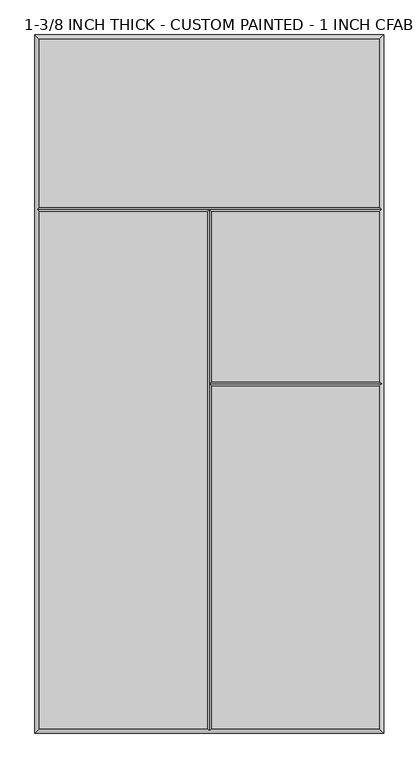
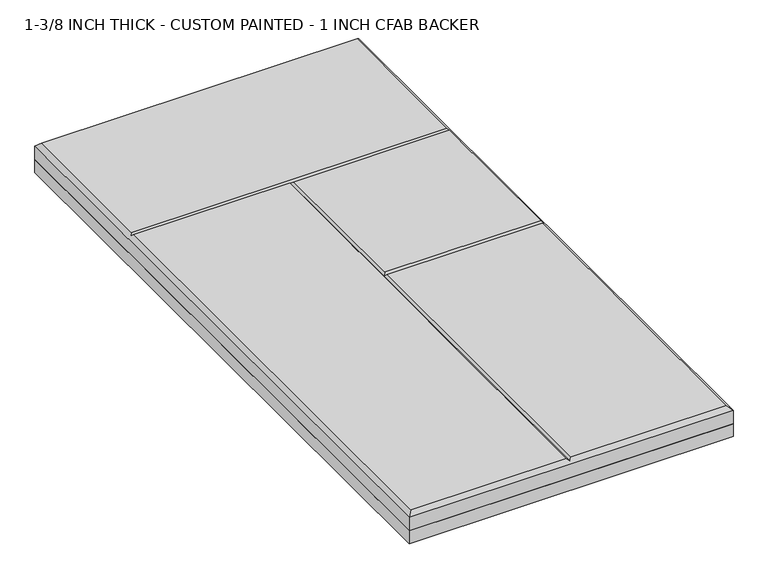
"""IFC4 building model written with IfcOpenShell, lengths in millimetres: proxy geometry, 1-3/8 INCH THICK - CUSTOM PAINTED - 1 INCH CFAB BACKER."""

import ifcopenshell
import ifcopenshell.guid

model = None  # the IFC model being written
_history = None  # IfcOwnerHistory: only IFC2X3 demands one
_inside = {}  # id of a spatial element -> (the spatial element, [elements in it])
_under = {}  # id of a project, library or spatial element -> (it, [spatial elements below it])
_declared = {}  # id of a project -> (the project, [libraries it declares])
_typed = {}  # id of a type object -> (the type object, [elements of that type])
_made_of = {}  # id of a material, layer set ... -> (it, [elements and type objects made of it])


def new_model(schema):
    """Start an empty IFC model of exactly this schema.

    Asked for "IFC4X3", IfcOpenShell would pick the latest addendum, in which some entities
    have other attributes; the version numbers below select the first issue.
    IFC2X3 requires an IfcOwnerHistory on every rooted entity: one is made here for all.
    """
    global model, _history
    if schema == "IFC4X3":
        model = ifcopenshell.file(schema_version=(4, 3, 0, 0))
    else:
        model = ifcopenshell.file(schema=schema)
    _inside.clear()
    _under.clear()
    _declared.clear()
    _typed.clear()
    _made_of.clear()
    _history = None
    if model.schema == "IFC2X3":
        org = make("IfcOrganization", Name="unknown")
        user = make(
            "IfcPersonAndOrganization",
            ThePerson=make("IfcPerson", FamilyName="unknown"),
            TheOrganization=org,
        )
        app = make(
            "IfcApplication",
            ApplicationDeveloper=org,
            Version="unknown",
            ApplicationFullName="unknown",
            ApplicationIdentifier="unknown",
        )
        _history = make(
            "IfcOwnerHistory",
            OwningUser=user,
            OwningApplication=app,
            ChangeAction="ADDED",
            CreationDate=0,
        )
    return model


def make(cls, **values):
    """One entity of the class cls with the attributes given. An attribute that is None is left unset."""
    return model.create_entity(
        cls, **{name: value for name, value in values.items() if value is not None}
    )


def rooted(cls, **values):
    """An entity with a GlobalId (a new one), such as an element, a storey or a relation."""
    return make(cls, GlobalId=ifcopenshell.guid.new(), OwnerHistory=_history, **values)


def si_unit(unit_type, name, prefix=None):
    """IfcSIUnit, for example si_unit("LENGTHUNIT", "METRE", prefix="MILLI")."""
    return make("IfcSIUnit", UnitType=unit_type, Prefix=prefix, Name=name)


def assignment(units):
    """IfcUnitAssignment: the units of a project."""
    return None if units is None else make("IfcUnitAssignment", Units=units)


def point(xyz):
    """IfcCartesianPoint."""
    return None if xyz is None else make("IfcCartesianPoint", Coordinates=xyz)


def direction(xyz):
    """IfcDirection."""
    return None if xyz is None else make("IfcDirection", DirectionRatios=xyz)


def frame(location, z_axis=None, x_axis=None):
    """IfcAxis2Placement3D, a coordinate frame: its origin and axes. An axis left out is left unset."""
    return make(
        "IfcAxis2Placement3D",
        Location=point(location),
        Axis=direction(z_axis),
        RefDirection=direction(x_axis),
    )


def origin():
    """The frame at (0, 0, 0) with its axes left unset."""
    return frame((0.0, 0.0, 0.0))


def place(relative_to, where):
    """IfcLocalPlacement: puts the frame where relative to a parent placement (None: the world)."""
    return make(
        "IfcLocalPlacement", PlacementRelTo=relative_to, RelativePlacement=where
    )


def context(
    kind, dimensions, precision=None, world=None, true_north=None, identifier=None
):
    """IfcGeometricRepresentationContext, for example the 3D "Model" context."""
    return make(
        "IfcGeometricRepresentationContext",
        ContextIdentifier=identifier,
        ContextType=kind,
        CoordinateSpaceDimension=dimensions,
        Precision=precision,
        WorldCoordinateSystem=world,
        TrueNorth=true_north,
    )


def project(units=None, contexts=None):
    """IfcProject with its units and contexts."""
    return rooted(
        "IfcProject",
        Name="project",
        RepresentationContexts=contexts,
        UnitsInContext=assignment(units),
    )


def spatial(cls, under=None, at=None, **own):
    """A site, building, storey or space (cls), placed at a placement, below another one or the project."""
    s = rooted(cls, ObjectPlacement=at, **own)
    if under is not None:
        _under.setdefault(under.id(), (under, []))[1].append(s)
    return s


def polyline(points):
    """IfcPolyline through the points."""
    return make("IfcPolyline", Points=[point(p) for p in points])


def outline(outer, holes=None, kind="AREA"):
    """IfcArbitraryClosedProfileDef: a profile drawn as a closed curve; with holes, ...WithVoids."""
    if holes is None:
        return make("IfcArbitraryClosedProfileDef", ProfileType=kind, OuterCurve=outer)
    return make(
        "IfcArbitraryProfileDefWithVoids",
        ProfileType=kind,
        OuterCurve=outer,
        InnerCurves=holes,
    )


def extrude(swept, where, along, depth):
    """IfcExtrudedAreaSolid: the profile swept, set in the frame where, extruded along a direction by depth."""
    return make(
        "IfcExtrudedAreaSolid",
        SweptArea=swept,
        Position=where,
        ExtrudedDirection=direction(along),
        Depth=depth,
    )


def faces_of(points, faces, orient=None, outer=None):
    """IfcFace entities. A face is a list of loops; a loop is a list of indices into points, from 0.

    orient and outer hold one flag for each loop. By default every Orientation is true, the
    first loop of a face is its IfcFaceOuterBound and the others are IfcFaceBound.
    """
    made = []
    for i, loops in enumerate(faces):
        bounds = []
        for j, loop in enumerate(loops):
            is_outer = j == 0 if outer is None else outer[i][j]
            bounds.append(
                make(
                    "IfcFaceOuterBound" if is_outer else "IfcFaceBound",
                    Bound=make("IfcPolyLoop", Polygon=[points[k] for k in loop]),
                    Orientation=True if orient is None else orient[i][j],
                )
            )
        made.append(make("IfcFace", Bounds=bounds))
    return made


def faceted_brep(points, faces, orient=None, outer=None, voids=None):
    """IfcFacetedBrep: a solid bounded by flat faces; with voids (closed shells), ...WithVoids."""
    shared = [point(p) for p in points]
    hull = make("IfcClosedShell", CfsFaces=faces_of(shared, faces, orient, outer))
    if voids is None:
        return make("IfcFacetedBrep", Outer=hull)
    return make(
        "IfcFacetedBrepWithVoids",
        Outer=hull,
        Voids=[
            make(cls, CfsFaces=faces_of(shared, fs, o, b)) for cls, fs, o, b in voids
        ],
    )


def shape(context_of_items, identifier, shape_type, items):
    """IfcShapeRepresentation: the items that make up one representation, for example the "Body"."""
    return make(
        "IfcShapeRepresentation",
        ContextOfItems=context_of_items,
        RepresentationIdentifier=identifier,
        RepresentationType=shape_type,
        Items=items,
    )


def source(mapping_origin, context_of_items, identifier, shape_type, items):
    """IfcRepresentationMap: a shape defined once, which mapped items show again and again."""
    return make(
        "IfcRepresentationMap",
        MappingOrigin=mapping_origin,
        MappedRepresentation=shape(context_of_items, identifier, shape_type, items),
    )


def transform(
    local_origin,
    x_axis=None,
    y_axis=None,
    z_axis=None,
    scale=None,
    scale2=None,
    scale3=None,
    uniform=True,
):
    """IfcCartesianTransformationOperator3D, or its non-uniform kind. x_axis, y_axis, z_axis: its Axis1, 2, 3."""
    if uniform:
        return make(
            "IfcCartesianTransformationOperator3D",
            Axis1=direction(x_axis),
            Axis2=direction(y_axis),
            LocalOrigin=point(local_origin),
            Scale=scale,
            Axis3=direction(z_axis),
        )
    return make(
        "IfcCartesianTransformationOperator3DnonUniform",
        Axis1=direction(x_axis),
        Axis2=direction(y_axis),
        LocalOrigin=point(local_origin),
        Scale=scale,
        Axis3=direction(z_axis),
        Scale2=scale2,
        Scale3=scale3,
    )


def mapped(mapping_source, mapping_target):
    """IfcMappedItem: shows the shape of a source again, moved by a transform."""
    return make(
        "IfcMappedItem", MappingSource=mapping_source, MappingTarget=mapping_target
    )


def made_of(thing, what):
    """Note that an element or type object is made of a material, layer set ...; save() writes the relation."""
    if what is not None:
        _made_of.setdefault(what.id(), (what, []))[1].append(thing)
    return thing


def element(
    cls,
    number,
    at=None,
    inside=None,
    cuts=None,
    type_object=None,
    material=None,
    context=None,
    identifier="Body",
    shape_type=None,
    held_by="IfcProductDefinitionShape",
    body=None,
    shapes=None,
    **own,
):
    """One element of the class cls, such as IfcWall. Its Tag is "e" and its number.

    at: its placement. inside: the storey or other place that contains it. cuts: it is an
    opening in that element (IfcRelVoidsElement). A single representation is given by context,
    identifier, shape_type and body (its items); several are given by shapes. held_by: the class
    of the entity that holds the representations. save() writes the other relations.
    """
    e = rooted(cls, Tag="e%d" % number, ObjectPlacement=at, **own)
    if body is not None:
        shapes = [shape(context, identifier, shape_type, body)]
    if shapes is not None:
        e.Representation = make(held_by, Representations=shapes)
    if inside is not None:
        _inside.setdefault(inside.id(), (inside, []))[1].append(e)
    if cuts is not None:
        rooted(
            "IfcRelVoidsElement", RelatingBuildingElement=cuts, RelatedOpeningElement=e
        )
    if type_object is not None:
        _typed.setdefault(type_object.id(), (type_object, []))[1].append(e)
    return made_of(e, material)


def aggregate(whole, parts):
    """IfcRelAggregates: a whole, such as a stair, and the parts it consists of."""
    return rooted("IfcRelAggregates", RelatingObject=whole, RelatedObjects=parts)


def save(model, path):
    """Write the relations noted so far, then the file.

    IfcRelAggregates (storeys below a building ...), IfcRelContainedInSpatialStructure (elements
    in a storey), IfcRelDefinesByType, IfcRelAssociatesMaterial and IfcRelDeclares: one each for
    every whole, place, type object, material and project.
    """
    for whole, parts in _under.values():
        aggregate(whole, parts)
    for where, things in _inside.values():
        rooted(
            "IfcRelContainedInSpatialStructure",
            RelatedElements=things,
            RelatingStructure=where,
        )
    for kind, things in _typed.values():
        rooted("IfcRelDefinesByType", RelatedObjects=things, RelatingType=kind)
    for what, things in _made_of.values():
        rooted("IfcRelAssociatesMaterial", RelatedObjects=things, RelatingMaterial=what)
    for by, libraries in _declared.values():
        rooted("IfcRelDeclares", RelatingContext=by, RelatedDefinitions=libraries)
    model.write(path)


def proxy_1_3_8_inch_thick_custom_painted_1_inch_cfab_backer_e46a981a(model_context):
    return source(origin(), model_context, "Body", "SolidModel", [
        extrude(outline(polyline([(-304.8, 609.6), (304.8, 609.6), (304.8, -609.6), (-304.8, -609.6), (-304.8, 609.6)])), frame((0.0, 0.0, -25.4), z_axis=(0.0, 0.0, 1.0), x_axis=(1.0, 0.0, 0.0)), (0.0, 0.0, 1.0), 25.4),
        faceted_brep([(296.799, 601.599, 34.925), (-296.799, 601.599, 34.925), (-296.799, 308.8005, 34.925), (296.799, 308.8005, 34.925), (-296.799, 300.7995, 34.925), (-296.799, -601.599, 34.925), (-4.0005, -601.599, 34.925), (-4.0005, 300.7995, 34.925), (4.0005, -601.599, 34.925), (296.799, -601.599, 34.925), (296.799, -4.0005, 34.925), (4.0005, -4.0005, 34.925), (296.799, 300.7995, 34.925), (4.0005, 300.7995, 34.925), (4.0005, 4.0005, 34.925), (296.799, 4.0005, 34.925), (-304.8, 609.6, 0.0), (304.8, 609.6, 0.0), (304.8, -609.6, 0.0), (-304.8, -609.6, 0.0), (-304.8, -609.6, 26.924), (-304.8, 609.6, 26.924), (304.8, -609.6, 26.924), (304.8, 609.6, 26.924), (-300.7995, 304.8, 30.9245), (0.0, -605.5995, 30.9245), (300.7995, 304.8, 30.9245), (300.7995, 0.0, 30.9245), (0.0, 304.8, 30.9245), (0.0, 0.0, 30.9245)], [[[0, 1, 2, 3]], [[4, 5, 6, 7]], [[8, 9, 10, 11]], [[12, 13, 14, 15]], [[16, 17, 18, 19]], [[16, 19, 20, 21]], [[19, 18, 22, 20]], [[18, 17, 23, 22]], [[17, 16, 21, 23]], [[21, 1, 0, 23]], [[1, 21, 20, 5, 4, 24, 2]], [[5, 20, 22, 9, 8, 25, 6]], [[23, 0, 3, 26, 12, 15, 27, 10, 9, 22]], [[24, 4, 7, 28]], [[12, 26, 28, 13]], [[3, 2, 24, 28, 26]], [[25, 8, 11, 29]], [[13, 28, 29, 14]], [[7, 6, 25, 29, 28]], [[27, 29, 11, 10]], [[29, 27, 15, 14]]]),
    ])


if __name__ == "__main__":
    model = new_model("IFC4")
    model_context = context("Model", 3, world=origin())
    ifc_project = project(units=[si_unit("LENGTHUNIT", "METRE", prefix="MILLI")], contexts=[model_context])
    site = spatial("IfcSite", under=ifc_project)
    building = spatial("IfcBuilding", under=site)
    placement = place(None, origin())
    proxy_1_3_8_inch_thick_custom_painted_1_inch_cfab_backer_shape = proxy_1_3_8_inch_thick_custom_painted_1_inch_cfab_backer_e46a981a(model_context)
    element("IfcBuildingElementProxy", 1, Name="1-3/8 INCH THICK - CUSTOM PAINTED - 1 INCH CFAB BACKER", ObjectType="1-3/8 INCH THICK - CUSTOM PAINTED - 1 INCH CFAB BACKER", at=placement, inside=building, context=model_context, shape_type="MappedRepresentation", body=[
        mapped(proxy_1_3_8_inch_thick_custom_painted_1_inch_cfab_backer_shape, transform((0.0, 0.0, 0.0), x_axis=(1.0, 0.0, 0.0), y_axis=(0.0, 1.0, 0.0), z_axis=(0.0, 0.0, 1.0))),
    ])
    save(model, "model.ifc")
